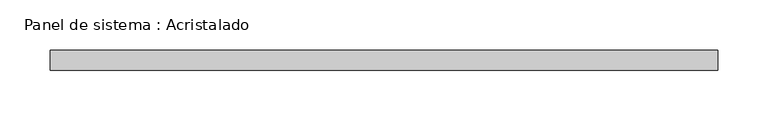
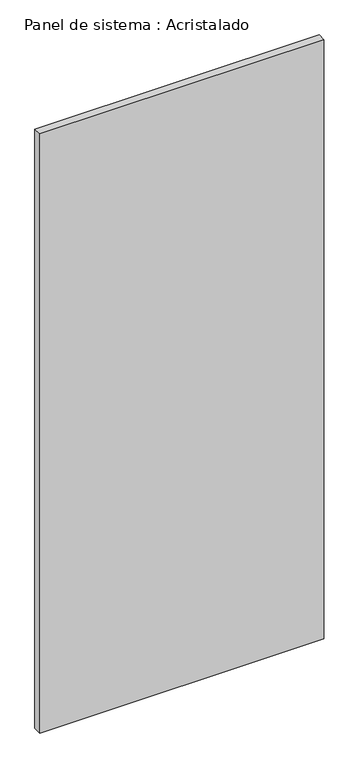
"""IFC4 building model written with IfcOpenShell, lengths in millimetres: plate geometry, Panel de sistema : Acristalado."""

from ifc_helpers import new_model, si_unit, origin, origin_with_axes, place, context, project, spatial, polyline, outline, extrude, source, transform, mapped, element, save


def panel_de_sistema_acristalado_837c0bbf(model_context):
    return source(origin(), model_context, "Body", "SweptSolid", [
        extrude(outline(polyline([(333.0, -10.0), (-333.0, -10.0), (-333.0, 10.0), (333.0, 10.0), (333.0, -10.0)])), origin_with_axes(), (0.0, 0.0, 1.0), 1484.7728258),
    ])


if __name__ == "__main__":
    model = new_model("IFC4")
    model_context = context("Model", 3, world=origin())
    ifc_project = project(units=[si_unit("LENGTHUNIT", "METRE", prefix="MILLI")], contexts=[model_context])
    site = spatial("IfcSite", under=ifc_project)
    building = spatial("IfcBuilding", under=site)
    placement = place(None, origin())
    panel_de_sistema_acristalado_shape = panel_de_sistema_acristalado_837c0bbf(model_context)
    element("IfcPlate", 1, ObjectType="Panel de sistema : Acristalado", at=placement, inside=building, context=model_context, shape_type="MappedRepresentation", body=[
        mapped(panel_de_sistema_acristalado_shape, transform((0.0, 0.0, 0.0), x_axis=(1.0, 0.0, 0.0), y_axis=(0.0, 1.0, 0.0), z_axis=(0.0, 0.0, 1.0))),
    ])
    save(model, "model.ifc")
